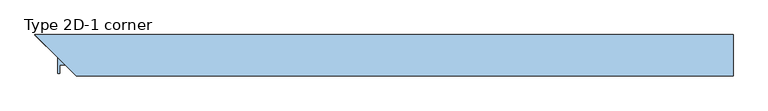
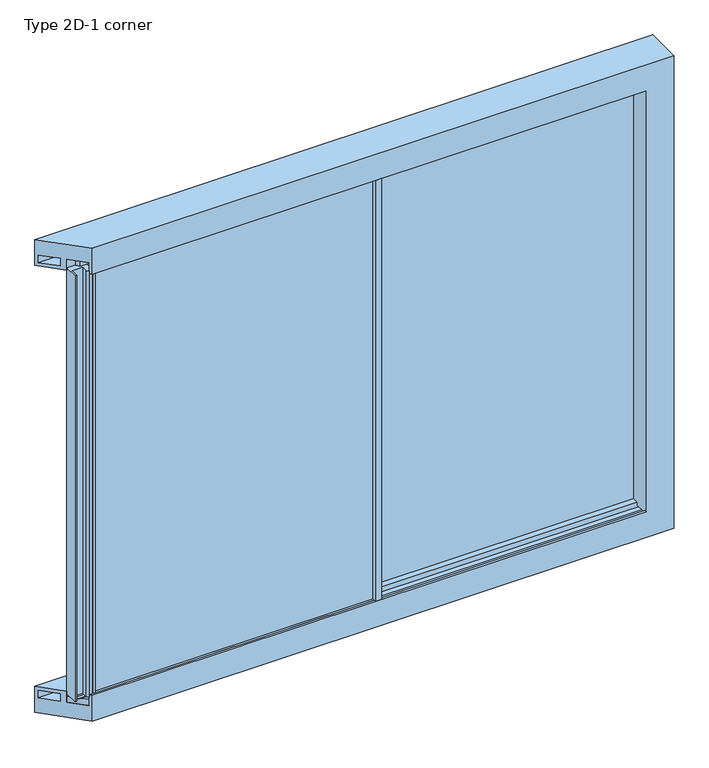
"""IFC4 building model written with IfcOpenShell, lengths in millimetres: window geometry, Type 2D-1 corner."""

from ifc_helpers import new_model, si_unit, frame, origin, place, context, project, spatial, polyline, outline, extrude, faceted_brep, source, transform, mapped, element, save


def type_2d_1_corner_85d99d96(model_context):
    return source(origin(), model_context, "Body", "SolidModel", [
        extrude(outline(polyline([(-1588.5, -21.5001997), (-1492.0, -21.5001997), (-1492.0, -98.5001997), (-1511.5, -98.5001997), (-1521.4996006, -88.5005992), (-1521.4996006, -56.5001997), (-1578.5, -56.5001997), (-1578.5, -98.0001997), (-1588.5, -98.0001997), (-1588.5, -21.5001997)])), frame((0.0, 0.0, -15.0), z_axis=(0.0, 0.0, 1.0), x_axis=(1.0, 0.0, 0.0)), (0.0, 0.0, 1.0), 2470.0),
        faceted_brep([(68.0, -2.5, 0.0), (87.800073, -2.5, 0.0), (87.800073, -21.5001997, 0.0), (68.0, -21.5001997, 0.0), (87.800073, -110.0, 0.0), (53.0, -110.0, 0.0), (53.0, -98.5, 0.0), (87.800073, -98.5, 0.0), (68.0, -2.5, 2440.0), (87.800073, -2.5, 2440.0), (87.800073, -110.0, 2440.0), (87.800073, -98.5, -15.0), (87.800073, -21.5001997, -15.0), (87.800073, -21.5001997, 2440.0), (87.800073, -21.5001997, 2455.0), (87.800073, -98.5, 2455.0), (87.800073, -98.5, 2440.0), (-1492.0, -21.5001997, -15.0), (-1492.0, -21.5001997, 2455.0), (68.0, -21.5001997, 2440.0), (-1477.0, -21.5001997, 2440.0), (-1477.0, -21.5001997, 0.0), (53.0, -21.5001997, 0.0), (53.0, -21.5001997, 2440.0), (53.0, -110.0, 2440.0), (53.0, -98.5, 2440.0), (53.0, -87.0001997, 2440.0), (53.0, -87.0001997, 0.0), (-1477.0, -98.5, 0.0), (-1477.0, -98.5, 2440.0), (-1492.0, -98.5, 2455.0), (-1492.0, -98.5, -15.0), (-1487.8, -87.0001997, -10.8), (-1487.8, -87.0001997, 2450.8), (63.8, -87.0001997, 2450.8), (63.8, -87.0001997, -10.8), (-1477.0, -87.0001997, 2440.0), (-1477.0, -87.0001997, 0.0), (-1487.8, -33.0001997, 2450.8), (-1487.8, -33.0001997, -10.8), (63.8, -33.0001997, -10.8), (63.8, -33.0001997, 2450.8), (-1477.0, -33.0001997, 0.0), (-1477.0, -33.0001997, 2440.0), (53.0, -33.0001997, 2440.0), (53.0, -33.0001997, 0.0)], [[[0, 1, 2, 3]], [[4, 5, 6, 7]], [[8, 9, 1, 0]], [[10, 4, 7, 11, 12, 2, 1, 9, 13, 14, 15, 16]], [[12, 17, 18, 14, 13, 19, 3, 2], [20, 21, 22, 23]], [[8, 0, 3, 19]], [[10, 24, 5, 4]], [[24, 25, 26, 27, 6, 5]], [[28, 29, 25, 16, 15, 30, 31, 11, 7, 6]], [[32, 33, 34, 35], [36, 37, 27, 26]], [[37, 28, 6, 27]], [[31, 17, 12, 11]], [[36, 29, 28, 37]], [[38, 33, 32, 39]], [[39, 32, 35, 40]], [[38, 39, 40, 41], [42, 43, 44, 45]], [[20, 43, 42, 21]], [[21, 42, 45, 22]], [[40, 35, 34, 41]], [[22, 45, 44, 23]], [[9, 8, 19, 13]], [[16, 25, 24, 10]], [[29, 36, 26, 25]], [[33, 38, 41, 34]], [[43, 20, 23, 44]], [[14, 18, 30, 15]], [[30, 18, 17, 31]]]),
        extrude(outline(polyline([(63.8, -87.0001997), (-1487.8, -87.0001997), (-1487.8, -33.0001997), (63.8, -33.0001997), (63.8, -87.0001997)])), frame((0.0, 0.0, -10.8), z_axis=(0.0, 0.0, 1.0), x_axis=(1.0, 0.0, 0.0)), (0.0, 0.0, 1.0), 2461.6),
        faceted_brep([(1690.0, -110.0, 2590.0), (-1500.0, -110.0, 2590.0), (-1500.0, -110.0, 2440.0), (1540.0, -110.0, 2440.0), (1540.0, -110.0, 0.0), (-1500.0, -110.0, 0.0), (-1500.0, -110.0, -150.0), (1690.0, -110.0, -150.0), (1690.0, 90.0, -150.0), (1690.0, 90.0, 2590.0), (-1700.0, 90.0, -150.0), (-1511.5, -98.5, 0.0), (-1511.5, -98.5, -63.5), (-1588.5, -21.5, -63.5), (-1588.5, -21.5, 0.0), (-1700.0, 90.0, 0.0), (-1611.5, 1.5, -63.5), (-1688.5, 78.5, -63.5), (-1688.5, 78.5, -20.0), (-1611.5, 1.5, -20.0), (-1700.0, 90.0, 2590.0), (-1700.0, 90.0, 2440.0), (-1588.5, -21.5, 2440.0), (-1588.5, -21.5, 2503.5), (-1511.5, -98.5, 2503.5), (-1511.5, -98.5, 2440.0), (-1611.5, 1.5, 2460.0), (-1688.5, 78.5, 2460.0), (-1688.5, 78.5, 2503.5), (-1611.5, 1.5, 2503.5), (1540.0, -98.5, 0.0), (1540.0, -98.5, 2440.0), (1540.0, -98.5, 2455.0), (1540.0, -21.5, 2455.0), (1540.0, -21.5, 2440.0), (1540.0, 12.9998003, 2440.0), (1540.0, 12.9998003, 0.0), (1540.0, -21.5, 0.0), (1540.0, -21.5, -15.0), (1540.0, -98.5, -15.0), (1603.5, -98.5, 2503.5), (1603.5, -21.5, 2503.5), (1603.5, -21.5, -63.5), (1603.5, -98.5, -63.5), (1555.0, -98.5, -15.0), (1555.0, -98.5, 2455.0), (1555.0, -21.5, -15.0), (1555.0, -21.5, 2455.0), (1540.0, 90.0, 0.0), (83.0, 90.0, 0.0), (83.0, 66.9998003, 0.0), (1540.0, 66.9998003, 0.0), (83.0, 12.9998003, 0.0), (83.0, 1.5, 0.0), (68.0, 1.5, 0.0), (68.0, -17.5, 0.0), (48.0, -17.5, 0.0), (48.0, 90.0, 0.0), (1603.5, 1.5, 2503.5), (1603.5, 78.5, 2503.5), (1603.5, 78.5, -63.5), (1603.5, 1.5, -63.5), (68.0, 1.5, -20.0), (68.0, 1.5, -15.0), (1555.0, 1.5, -15.0), (1555.0, 1.5, 2455.0), (68.0, 1.5, 2455.0), (68.0, 1.5, 2460.0), (1555.0, 78.5, -15.0), (1555.0, 78.5, 2455.0), (68.0, 78.5, -15.0), (68.0, 1.5, 2440.0), (68.0, -17.5, 2440.0), (68.0, 78.5, 2455.0), (68.0, 78.5, 2460.0), (68.0, 78.5, -20.0), (48.0, 90.0, 2440.0), (1540.0, 90.0, 2440.0), (83.0, 90.0, 2440.0), (48.0, -17.5, 2440.0), (1540.0, 66.9998003, 2440.0), (83.0, 66.9998003, 2440.0), (1550.8, 12.9998003, -10.8), (72.2, 12.9998003, -10.8), (72.2, 12.9998003, 2450.8), (1550.8, 12.9998003, 2450.8), (83.0, 12.9998003, 2440.0), (1550.8, 66.9998003, 2450.8), (72.2, 66.9998003, 2450.8), (72.2, 66.9998003, -10.8), (1550.8, 66.9998003, -10.8), (83.0, 1.5, 2440.0)], [[[0, 1, 2, 3, 4, 5, 6, 7]], [[7, 8, 9, 0]], [[8, 7, 6, 10]], [[5, 11, 12, 13, 14, 15, 10, 6], [16, 17, 18, 19]], [[1, 20, 21, 22, 23, 24, 25, 2], [26, 27, 28, 29]], [[30, 11, 5, 4]], [[3, 31, 32, 33, 34, 35, 36, 37, 38, 39, 30, 4]], [[40, 41, 42, 43]], [[43, 12, 11, 30, 39, 44, 45, 32, 31, 25, 24, 40]], [[45, 44, 46, 47]], [[44, 39, 38, 46]], [[42, 13, 12, 43]], [[41, 23, 22, 34, 33, 47, 46, 38, 37, 14, 13, 42]], [[48, 49, 50, 51]], [[36, 52, 53, 54, 55, 56, 57, 15, 14, 37]], [[58, 59, 60, 61]], [[61, 16, 19, 62, 63, 64, 65, 66, 67, 26, 29, 58]], [[65, 64, 68, 69]], [[64, 63, 70, 68]], [[55, 54, 71, 72]], [[67, 66, 73, 74]], [[75, 70, 63, 62]], [[62, 19, 18, 75]], [[60, 17, 16, 61]], [[59, 28, 27, 74, 73, 69, 68, 70, 75, 18, 17, 60]], [[10, 15, 57, 76, 21, 20, 9, 8], [77, 78, 49, 48]], [[57, 56, 79, 76]], [[48, 51, 80, 77]], [[81, 50, 49, 78]], [[82, 83, 84, 85], [35, 86, 52, 36]], [[87, 88, 89, 90], [51, 50, 81, 80]], [[56, 55, 72, 79]], [[91, 71, 54, 53]], [[52, 86, 91, 53]], [[87, 90, 82, 85]], [[90, 89, 83, 82]], [[89, 88, 84, 83]], [[3, 2, 25, 31]], [[20, 1, 0, 9]], [[40, 24, 23, 41]], [[32, 45, 47, 33]], [[35, 34, 22, 21, 76, 79, 72, 71, 91, 86]], [[77, 80, 81, 78]], [[58, 29, 28, 59]], [[74, 27, 26, 67]], [[69, 73, 66, 65]], [[85, 84, 88, 87]]]),
        extrude(outline(polyline([(72.2, 13.0), (72.2, 67.0), (1550.8, 67.0), (1550.8, 13.0), (72.2, 13.0)])), frame((0.0, 0.0, -10.8), z_axis=(0.0, 0.0, 1.0), x_axis=(1.0, 0.0, 0.0)), (0.0, 0.0, 1.0), 2461.6),
        extrude(outline(polyline([(1555.0, -67.6501997), (-1542.3498003, -67.6501997), (-1557.6498003, -52.3501997), (1555.0, -52.3501997), (1555.0, -67.6501997)])), frame((0.0, 0.0, 2476.5103828), z_axis=(0.0, 0.0, 1.0), x_axis=(1.0, 0.0, 0.0)), (0.0, 0.0, 1.0), 26.9896172),
        faceted_brep([(1555.0, -21.5, -63.5), (1555.0, -21.5, -28.0), (1555.0, -50.0099329, -28.0), (1555.0, -60.0, -32.6584448), (1555.0, -69.9900671, -28.0), (1555.0, -98.5, -28.0), (1555.0, -98.5, -63.5), (-1588.5, -21.5, -63.5), (-1588.5, -21.5, -28.0), (-1559.9900671, -50.0099329, -28.0), (-1550.0, -60.0, -32.6584448), (-1540.0099329, -69.9900671, -28.0), (-1511.5, -98.5, -28.0), (-1511.5, -98.5, -63.5)], [[[0, 1, 2, 3, 4, 5, 6]], [[0, 7, 8, 1]], [[1, 8, 9, 2]], [[2, 9, 10, 3]], [[3, 10, 11, 4]], [[4, 11, 12, 5]], [[5, 12, 13, 6]], [[6, 13, 7, 0]], [[7, 13, 12, 11, 10, 9, 8]]]),
    ])


if __name__ == "__main__":
    model = new_model("IFC4")
    model_context = context("Model", 3, world=origin())
    ifc_project = project(units=[si_unit("LENGTHUNIT", "METRE", prefix="MILLI")], contexts=[model_context])
    site = spatial("IfcSite", under=ifc_project)
    building = spatial("IfcBuilding", under=site)
    placement = place(None, origin())
    type_2d_1_corner_shape = type_2d_1_corner_85d99d96(model_context)
    element("IfcWindow", 1, ObjectType="Type 2D-1 corner", at=placement, inside=building, context=model_context, shape_type="MappedRepresentation", body=[
        mapped(type_2d_1_corner_shape, transform((0.0, 0.0, 0.0), x_axis=(1.0, 0.0, 0.0), y_axis=(0.0, 1.0, 0.0), z_axis=(0.0, 0.0, 1.0))),
    ])
    save(model, "model.ifc")
